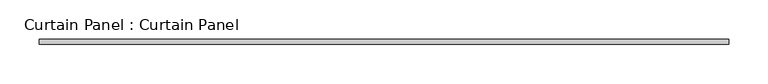
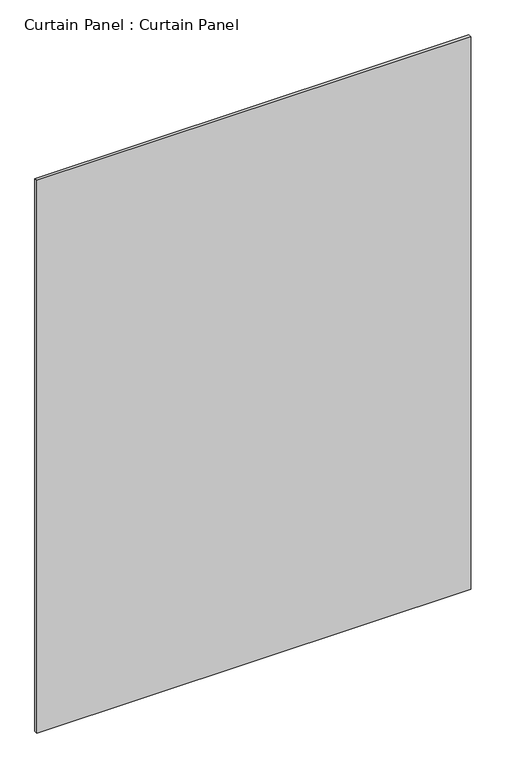
"""IFC4 building model written with IfcOpenShell, lengths in millimetres: plate geometry, Curtain Panel : Curtain Panel."""

from ifc_helpers import new_model, si_unit, frame, origin, place, context, project, spatial, polyline, outline, extrude, source, transform, mapped, element, save


def curtain_panel_curtain_panel_9d352ec8(model_context):
    return source(origin(), model_context, "Body", "SweptSolid", [
        extrude(outline(polyline([(-29452.9378439, -2014.0258286), (-30330.8634439, -2014.0258286), (-30330.8634439, -2007.6758286), (-29452.9378439, -2007.6758286), (-29452.9378439, -2014.0258286)])), frame((0.0, 0.0, 23.7744), z_axis=(0.0, 0.0, 1.0), x_axis=(1.0, 0.0, 0.0)), (0.0, 0.0, 1.0), 1181.6704793),
    ])


if __name__ == "__main__":
    model = new_model("IFC4")
    model_context = context("Model", 3, world=origin())
    ifc_project = project(units=[si_unit("LENGTHUNIT", "METRE", prefix="MILLI")], contexts=[model_context])
    site = spatial("IfcSite", under=ifc_project)
    building = spatial("IfcBuilding", under=site)
    placement = place(None, origin())
    curtain_panel_curtain_panel_shape = curtain_panel_curtain_panel_9d352ec8(model_context)
    element("IfcPlate", 1, ObjectType="Curtain Panel : Curtain Panel", at=placement, inside=building, context=model_context, shape_type="MappedRepresentation", body=[
        mapped(curtain_panel_curtain_panel_shape, transform((0.0, 0.0, 0.0), x_axis=(1.0, 0.0, 0.0), y_axis=(0.0, 1.0, 0.0), z_axis=(0.0, 0.0, 1.0))),
    ])
    save(model, "model.ifc")
